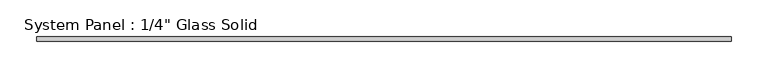
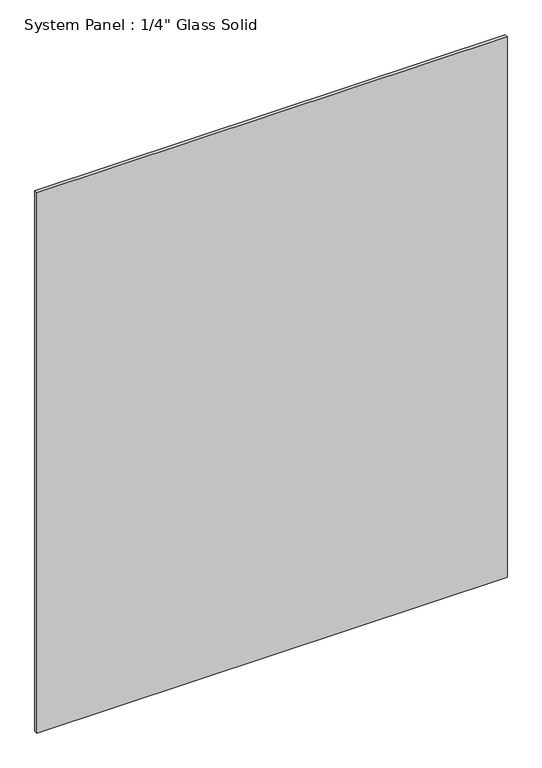
"""IFC4 building model written with IfcOpenShell, lengths in millimetres: plate geometry."""

from ifc_helpers import new_model, si_unit, origin, origin_with_axes, place, context, project, spatial, polyline, outline, extrude, source, transform, mapped, element, save


def plate_16799d9e(model_context):
    return source(origin(), model_context, "Body", "SweptSolid", [
        extrude(outline(polyline([(475.6720691, -3.175), (-475.6720691, -3.175), (-475.6720691, 3.175), (475.6720691, 3.175), (475.6720691, -3.175)])), origin_with_axes(), (0.0, 0.0, 1.0), 1154.5441382),
    ])


if __name__ == "__main__":
    model = new_model("IFC4")
    model_context = context("Model", 3, world=origin())
    ifc_project = project(units=[si_unit("LENGTHUNIT", "METRE", prefix="MILLI")], contexts=[model_context])
    site = spatial("IfcSite", under=ifc_project)
    building = spatial("IfcBuilding", under=site)
    placement = place(None, origin())
    plate_shape = plate_16799d9e(model_context)
    element("IfcPlate", 1, ObjectType="System Panel : 1/4\" Glass Solid", at=placement, inside=building, context=model_context, shape_type="MappedRepresentation", body=[
        mapped(plate_shape, transform((0.0, 0.0, 0.0), x_axis=(1.0, 0.0, 0.0), y_axis=(0.0, 1.0, 0.0), z_axis=(0.0, 0.0, 1.0))),
    ])
    save(model, "model.ifc")
